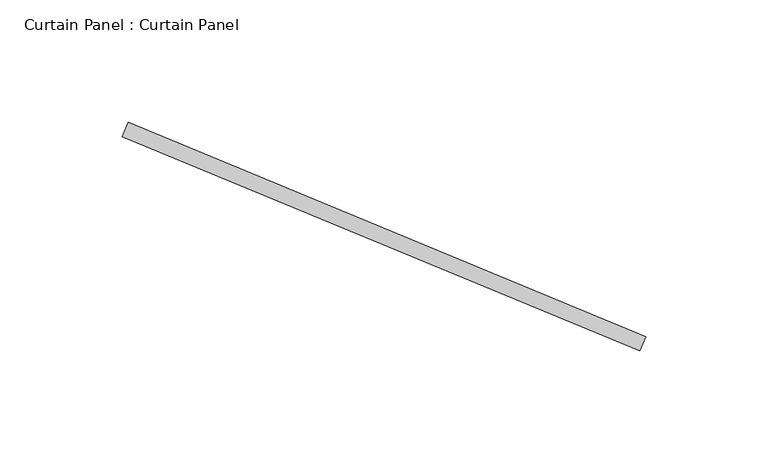
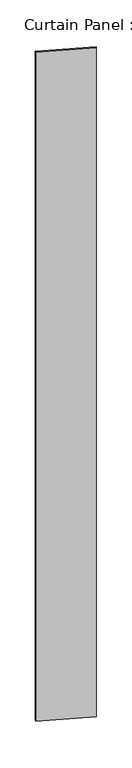
"""IFC4 building model written with IfcOpenShell, lengths in millimetres: plate geometry, Curtain Panel : Curtain Panel."""

import ifcopenshell
import ifcopenshell.guid

model = None  # the IFC model being written
_history = None  # IfcOwnerHistory: only IFC2X3 demands one
_inside = {}  # id of a spatial element -> (the spatial element, [elements in it])
_under = {}  # id of a project, library or spatial element -> (it, [spatial elements below it])
_declared = {}  # id of a project -> (the project, [libraries it declares])
_typed = {}  # id of a type object -> (the type object, [elements of that type])
_made_of = {}  # id of a material, layer set ... -> (it, [elements and type objects made of it])


def new_model(schema):
    """Start an empty IFC model of exactly this schema.

    Asked for "IFC4X3", IfcOpenShell would pick the latest addendum, in which some entities
    have other attributes; the version numbers below select the first issue.
    IFC2X3 requires an IfcOwnerHistory on every rooted entity: one is made here for all.
    """
    global model, _history
    if schema == "IFC4X3":
        model = ifcopenshell.file(schema_version=(4, 3, 0, 0))
    else:
        model = ifcopenshell.file(schema=schema)
    _inside.clear()
    _under.clear()
    _declared.clear()
    _typed.clear()
    _made_of.clear()
    _history = None
    if model.schema == "IFC2X3":
        org = make("IfcOrganization", Name="unknown")
        user = make(
            "IfcPersonAndOrganization",
            ThePerson=make("IfcPerson", FamilyName="unknown"),
            TheOrganization=org,
        )
        app = make(
            "IfcApplication",
            ApplicationDeveloper=org,
            Version="unknown",
            ApplicationFullName="unknown",
            ApplicationIdentifier="unknown",
        )
        _history = make(
            "IfcOwnerHistory",
            OwningUser=user,
            OwningApplication=app,
            ChangeAction="ADDED",
            CreationDate=0,
        )
    return model


def make(cls, **values):
    """One entity of the class cls with the attributes given. An attribute that is None is left unset."""
    return model.create_entity(
        cls, **{name: value for name, value in values.items() if value is not None}
    )


def rooted(cls, **values):
    """An entity with a GlobalId (a new one), such as an element, a storey or a relation."""
    return make(cls, GlobalId=ifcopenshell.guid.new(), OwnerHistory=_history, **values)


def si_unit(unit_type, name, prefix=None):
    """IfcSIUnit, for example si_unit("LENGTHUNIT", "METRE", prefix="MILLI")."""
    return make("IfcSIUnit", UnitType=unit_type, Prefix=prefix, Name=name)


def assignment(units):
    """IfcUnitAssignment: the units of a project."""
    return None if units is None else make("IfcUnitAssignment", Units=units)


def point(xyz):
    """IfcCartesianPoint."""
    return None if xyz is None else make("IfcCartesianPoint", Coordinates=xyz)


def direction(xyz):
    """IfcDirection."""
    return None if xyz is None else make("IfcDirection", DirectionRatios=xyz)


def frame(location, z_axis=None, x_axis=None):
    """IfcAxis2Placement3D, a coordinate frame: its origin and axes. An axis left out is left unset."""
    return make(
        "IfcAxis2Placement3D",
        Location=point(location),
        Axis=direction(z_axis),
        RefDirection=direction(x_axis),
    )


def origin():
    """The frame at (0, 0, 0) with its axes left unset."""
    return frame((0.0, 0.0, 0.0))


def origin_with_axes():
    """The frame at (0, 0, 0) with the z axis (0, 0, 1) and the x axis (1, 0, 0) written out."""
    return frame((0.0, 0.0, 0.0), z_axis=(0.0, 0.0, 1.0), x_axis=(1.0, 0.0, 0.0))


def place(relative_to, where):
    """IfcLocalPlacement: puts the frame where relative to a parent placement (None: the world)."""
    return make(
        "IfcLocalPlacement", PlacementRelTo=relative_to, RelativePlacement=where
    )


def context(
    kind, dimensions, precision=None, world=None, true_north=None, identifier=None
):
    """IfcGeometricRepresentationContext, for example the 3D "Model" context."""
    return make(
        "IfcGeometricRepresentationContext",
        ContextIdentifier=identifier,
        ContextType=kind,
        CoordinateSpaceDimension=dimensions,
        Precision=precision,
        WorldCoordinateSystem=world,
        TrueNorth=true_north,
    )


def project(units=None, contexts=None):
    """IfcProject with its units and contexts."""
    return rooted(
        "IfcProject",
        Name="project",
        RepresentationContexts=contexts,
        UnitsInContext=assignment(units),
    )


def spatial(cls, under=None, at=None, **own):
    """A site, building, storey or space (cls), placed at a placement, below another one or the project."""
    s = rooted(cls, ObjectPlacement=at, **own)
    if under is not None:
        _under.setdefault(under.id(), (under, []))[1].append(s)
    return s


def polyline(points):
    """IfcPolyline through the points."""
    return make("IfcPolyline", Points=[point(p) for p in points])


def outline(outer, holes=None, kind="AREA"):
    """IfcArbitraryClosedProfileDef: a profile drawn as a closed curve; with holes, ...WithVoids."""
    if holes is None:
        return make("IfcArbitraryClosedProfileDef", ProfileType=kind, OuterCurve=outer)
    return make(
        "IfcArbitraryProfileDefWithVoids",
        ProfileType=kind,
        OuterCurve=outer,
        InnerCurves=holes,
    )


def extrude(swept, where, along, depth):
    """IfcExtrudedAreaSolid: the profile swept, set in the frame where, extruded along a direction by depth."""
    return make(
        "IfcExtrudedAreaSolid",
        SweptArea=swept,
        Position=where,
        ExtrudedDirection=direction(along),
        Depth=depth,
    )


def shape(context_of_items, identifier, shape_type, items):
    """IfcShapeRepresentation: the items that make up one representation, for example the "Body"."""
    return make(
        "IfcShapeRepresentation",
        ContextOfItems=context_of_items,
        RepresentationIdentifier=identifier,
        RepresentationType=shape_type,
        Items=items,
    )


def source(mapping_origin, context_of_items, identifier, shape_type, items):
    """IfcRepresentationMap: a shape defined once, which mapped items show again and again."""
    return make(
        "IfcRepresentationMap",
        MappingOrigin=mapping_origin,
        MappedRepresentation=shape(context_of_items, identifier, shape_type, items),
    )


def transform(
    local_origin,
    x_axis=None,
    y_axis=None,
    z_axis=None,
    scale=None,
    scale2=None,
    scale3=None,
    uniform=True,
):
    """IfcCartesianTransformationOperator3D, or its non-uniform kind. x_axis, y_axis, z_axis: its Axis1, 2, 3."""
    if uniform:
        return make(
            "IfcCartesianTransformationOperator3D",
            Axis1=direction(x_axis),
            Axis2=direction(y_axis),
            LocalOrigin=point(local_origin),
            Scale=scale,
            Axis3=direction(z_axis),
        )
    return make(
        "IfcCartesianTransformationOperator3DnonUniform",
        Axis1=direction(x_axis),
        Axis2=direction(y_axis),
        LocalOrigin=point(local_origin),
        Scale=scale,
        Axis3=direction(z_axis),
        Scale2=scale2,
        Scale3=scale3,
    )


def mapped(mapping_source, mapping_target):
    """IfcMappedItem: shows the shape of a source again, moved by a transform."""
    return make(
        "IfcMappedItem", MappingSource=mapping_source, MappingTarget=mapping_target
    )


def made_of(thing, what):
    """Note that an element or type object is made of a material, layer set ...; save() writes the relation."""
    if what is not None:
        _made_of.setdefault(what.id(), (what, []))[1].append(thing)
    return thing


def element(
    cls,
    number,
    at=None,
    inside=None,
    cuts=None,
    type_object=None,
    material=None,
    context=None,
    identifier="Body",
    shape_type=None,
    held_by="IfcProductDefinitionShape",
    body=None,
    shapes=None,
    **own,
):
    """One element of the class cls, such as IfcWall. Its Tag is "e" and its number.

    at: its placement. inside: the storey or other place that contains it. cuts: it is an
    opening in that element (IfcRelVoidsElement). A single representation is given by context,
    identifier, shape_type and body (its items); several are given by shapes. held_by: the class
    of the entity that holds the representations. save() writes the other relations.
    """
    e = rooted(cls, Tag="e%d" % number, ObjectPlacement=at, **own)
    if body is not None:
        shapes = [shape(context, identifier, shape_type, body)]
    if shapes is not None:
        e.Representation = make(held_by, Representations=shapes)
    if inside is not None:
        _inside.setdefault(inside.id(), (inside, []))[1].append(e)
    if cuts is not None:
        rooted(
            "IfcRelVoidsElement", RelatingBuildingElement=cuts, RelatedOpeningElement=e
        )
    if type_object is not None:
        _typed.setdefault(type_object.id(), (type_object, []))[1].append(e)
    return made_of(e, material)


def aggregate(whole, parts):
    """IfcRelAggregates: a whole, such as a stair, and the parts it consists of."""
    return rooted("IfcRelAggregates", RelatingObject=whole, RelatedObjects=parts)


def save(model, path):
    """Write the relations noted so far, then the file.

    IfcRelAggregates (storeys below a building ...), IfcRelContainedInSpatialStructure (elements
    in a storey), IfcRelDefinesByType, IfcRelAssociatesMaterial and IfcRelDeclares: one each for
    every whole, place, type object, material and project.
    """
    for whole, parts in _under.values():
        aggregate(whole, parts)
    for where, things in _inside.values():
        rooted(
            "IfcRelContainedInSpatialStructure",
            RelatedElements=things,
            RelatingStructure=where,
        )
    for kind, things in _typed.values():
        rooted("IfcRelDefinesByType", RelatedObjects=things, RelatingType=kind)
    for what, things in _made_of.values():
        rooted("IfcRelAssociatesMaterial", RelatedObjects=things, RelatingMaterial=what)
    for by, libraries in _declared.values():
        rooted("IfcRelDeclares", RelatingContext=by, RelatedDefinitions=libraries)
    model.write(path)


def curtain_panel_curtain_panel_b2498fd0(model_context):
    return source(origin(), model_context, "Body", "SweptSolid", [
        extrude(outline(polyline([(4151.1340028, 92751.1443828), (3939.9262266, 92838.6042894), (3942.3556685, 92844.471172), (4153.5634447, 92757.0112654), (4151.1340028, 92751.1443828)])), origin_with_axes(), (0.0, 0.0, 1.0), 3048.0),
    ])


if __name__ == "__main__":
    model = new_model("IFC4")
    model_context = context("Model", 3, world=origin())
    ifc_project = project(units=[si_unit("LENGTHUNIT", "METRE", prefix="MILLI")], contexts=[model_context])
    site = spatial("IfcSite", under=ifc_project)
    building = spatial("IfcBuilding", under=site)
    placement = place(None, origin())
    curtain_panel_curtain_panel_shape = curtain_panel_curtain_panel_b2498fd0(model_context)
    element("IfcPlate", 1, ObjectType="Curtain Panel : Curtain Panel", at=placement, inside=building, context=model_context, shape_type="MappedRepresentation", body=[
        mapped(curtain_panel_curtain_panel_shape, transform((0.0, 0.0, 0.0), x_axis=(1.0, 0.0, 0.0), y_axis=(0.0, 1.0, 0.0), z_axis=(0.0, 0.0, 1.0))),
    ])
    save(model, "model.ifc")
